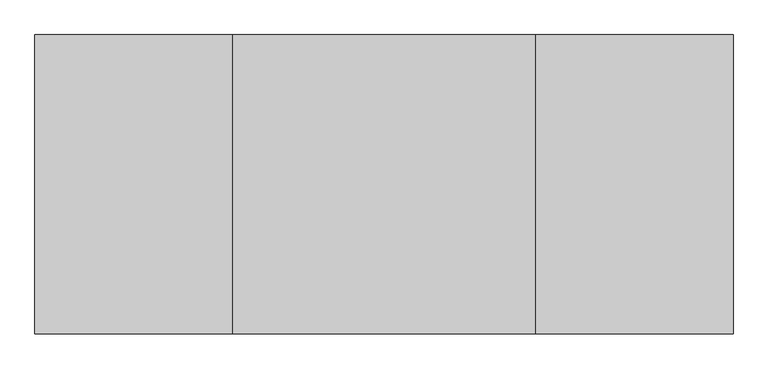
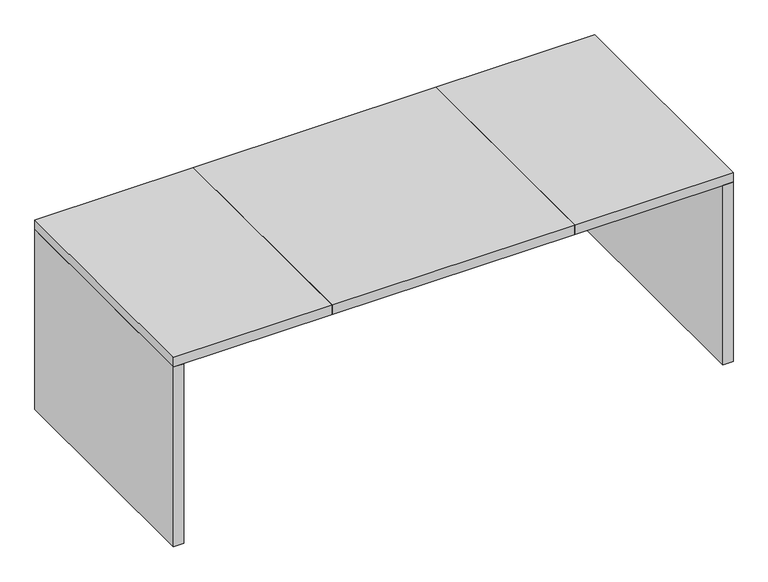
"""IFC4 building model written with IfcOpenShell, lengths in millimetres: furniture geometry."""

from ifc_helpers import new_model, si_unit, frame, origin, origin_with_axes, place, context, project, spatial, polyline, outline, extrude, source, transform, mapped, element, save


def furniture_f3f433fe(model_context):
    return source(origin(), model_context, "Body", "SweptSolid", [
        extrude(outline(polyline([(1012.761497, -28.575), (1050.861497, -28.575), (1050.861497, -927.1), (1012.761497, -927.1), (1012.761497, -28.575)])), origin_with_axes(), (0.0, 0.0, 1.0), 711.2),
        extrude(outline(polyline([(-1044.638503, -28.575), (-1006.538503, -28.575), (-1006.538503, -927.1), (-1044.638503, -927.1), (-1044.638503, -28.575)])), origin_with_axes(), (0.0, 0.0, 1.0), 711.2),
        extrude(outline(polyline([(-450.913503, -28.575), (457.136497, -28.575), (457.136497, -927.1), (-450.913503, -927.1), (-450.913503, -28.575)])), frame((0.0, 0.0, 711.2), z_axis=(0.0, 0.0, 1.0), x_axis=(1.0, 0.0, 0.0)), (0.0, 0.0, 1.0), 38.1),
        extrude(outline(polyline([(-1044.638503, -28.575), (-450.913503, -28.575), (-450.913503, -927.1), (-1044.638503, -927.1), (-1044.638503, -28.575)])), frame((0.0, 0.0, 711.2), z_axis=(0.0, 0.0, 1.0), x_axis=(1.0, 0.0, 0.0)), (0.0, 0.0, 1.0), 38.1),
        extrude(outline(polyline([(457.136497, -28.575), (1050.861497, -28.575), (1050.861497, -927.1), (457.136497, -927.1), (457.136497, -28.575)])), frame((0.0, 0.0, 711.2), z_axis=(0.0, 0.0, 1.0), x_axis=(1.0, 0.0, 0.0)), (0.0, 0.0, 1.0), 38.1),
    ])


if __name__ == "__main__":
    model = new_model("IFC4")
    model_context = context("Model", 3, world=origin())
    ifc_project = project(units=[si_unit("LENGTHUNIT", "METRE", prefix="MILLI")], contexts=[model_context])
    site = spatial("IfcSite", under=ifc_project)
    building = spatial("IfcBuilding", under=site)
    placement = place(None, origin())
    furniture_shape = furniture_f3f433fe(model_context)
    element("IfcFurniture", 1, at=placement, inside=building, context=model_context, shape_type="MappedRepresentation", body=[
        mapped(furniture_shape, transform((0.0, 0.0, 0.0), x_axis=(1.0, 0.0, 0.0), y_axis=(0.0, 1.0, 0.0), z_axis=(0.0, 0.0, 1.0))),
    ])
    save(model, "model.ifc")
